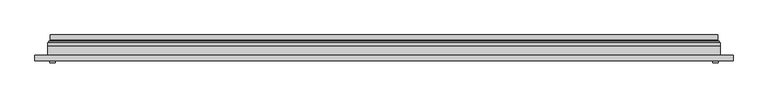
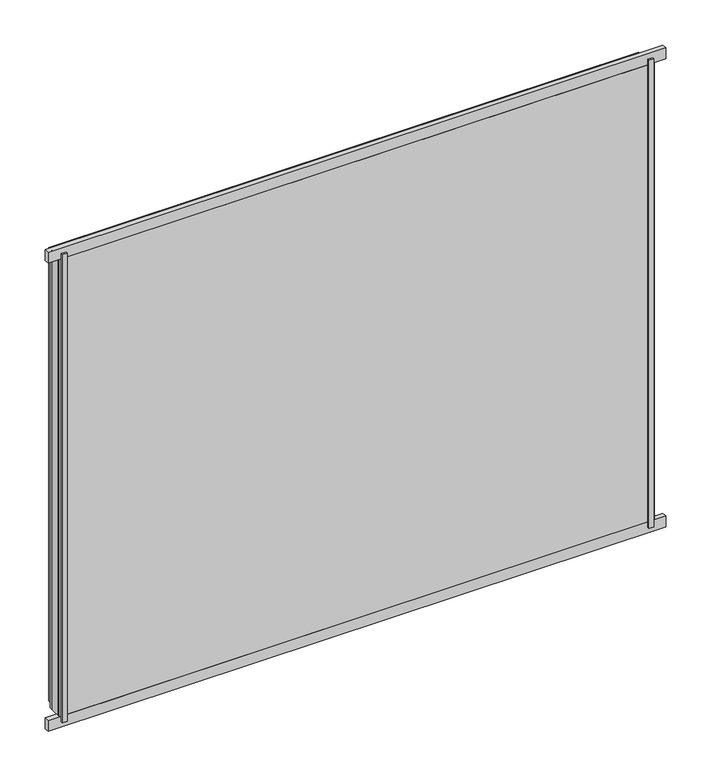
"""IFC4 building model written with IfcOpenShell, lengths in millimetres: plate geometry."""

from ifc_helpers import new_model, si_unit, frame, origin, origin_with_axes, place, context, project, spatial, polyline, ellipse_curve, outline, extrude, source, transform, mapped, element, save
from ifc_brep_helpers import plane_surface, cylinder_surface, revolved_surface, advanced_brep


def plate_edc574da(model_context):
    return source(origin(), model_context, "Body", "SolidModel", [
        extrude(outline(polyline([(587.5, -23.0), (597.5, -23.0), (597.5, -27.0), (587.5, -27.0), (587.5, -23.0)])), origin_with_axes(), (0.0, 0.0, 1.0), 1000.0),
        extrude(outline(polyline([(-587.5, -23.0), (-587.5, -27.0), (-597.5, -27.0), (-597.5, -23.0), (-587.5, -23.0)])), origin_with_axes(), (0.0, 0.0, 1.0), 1000.0),
        extrude(outline(polyline([(624.0, -23.0), (-624.0, -23.0), (-624.0, -13.51), (624.0, -13.51), (624.0, -23.0)])), frame((0.0, 0.0, -11.5), z_axis=(0.0, 0.0, 1.0), x_axis=(1.0, 0.0, 0.0)), (0.0, 0.0, 1.0), 23.0),
        extrude(outline(polyline([(624.0, -23.0), (-624.0, -23.0), (-624.0, -13.51), (624.0, -13.51), (624.0, -23.0)])), frame((0.0, 0.0, 988.5), z_axis=(0.0, 0.0, 1.0), x_axis=(1.0, 0.0, 0.0)), (0.0, 0.0, 1.0), 23.0),
        extrude(outline(polyline([(11.5, -601.0), (11.5, 601.0), (988.5, 601.0), (988.5, -601.0), (11.5, -601.0)]), holes=[polyline([(33.5, 579.0), (33.5, -579.0), (966.5, -579.0), (966.5, 579.0), (33.5, 579.0)])]), frame((0.0, -17.0, 0.0), z_axis=(0.0, 1.0, 0.0), x_axis=(0.0, 0.0, 1.0)), (0.0, 0.0, 1.0), 20.0),
        extrude(outline(polyline([(33.5, -579.0), (33.5, 579.0), (966.5, 579.0), (966.5, -579.0), (33.5, -579.0)]), holes=[polyline([(38.5, 574.0), (38.5, -574.0), (961.5, -574.0), (961.5, 574.0), (38.5, 574.0)])]), frame((0.0, -17.0, 0.0), z_axis=(0.0, 1.0, 0.0), x_axis=(0.0, 0.0, 1.0)), (0.0, 0.0, 1.0), 20.0),
        extrude(outline(polyline([(601.0, 9.0), (601.0, 3.0), (-601.0, 3.0), (-601.0, 9.0), (601.0, 9.0)])), frame((0.0, 0.0, 11.5), z_axis=(0.0, 0.0, 1.0), x_axis=(1.0, 0.0, 0.0)), (0.0, 0.0, 1.0), 977.0),
        extrude(outline(polyline([(-601.0, -23.0), (-601.0, -17.0), (601.0, -17.0), (601.0, -23.0), (-601.0, -23.0)])), frame((0.0, 0.0, 11.5), z_axis=(0.0, 0.0, 1.0), x_axis=(1.0, 0.0, 0.0)), (0.0, 0.0, 1.0), 977.0),
        advanced_brep(
        [(-596.5, 23.0, 16.0), (596.5, 23.0, 16.0), (596.5, 13.9230471, 16.0), (-596.5, 13.9230471, 16.0), (-587.5, 12.9110883, 25.0), (587.5, 12.9110883, 25.0), (587.5, 23.0, 25.0), (-587.5, 23.0, 25.0), (596.5, 23.0, 984.0), (596.5, 13.9230471, 984.0), (587.5, 12.9110883, 975.0), (587.5, 23.0, 975.0), (-596.5, 23.0, 984.0), (-596.5, 13.9230471, 984.0), (-587.5, 12.9110883, 975.0), (-587.5, 23.0, 975.0), (-597.7540757, 9.0, 14.7459243), (597.7540757, 9.0, 14.7459243), (597.7540757, 9.0, 985.2540757), (-597.7540757, 9.0, 985.2540757), (587.2, 9.0, 25.3), (-587.2, 9.0, 25.3), (-587.2, 9.0, 974.7), (587.2, 9.0, 974.7), (-586.5625, 11.2166581, 25.9375), (586.5625, 11.2166581, 25.9375), (-598.0737576, 11.9689955, 14.4262425), (598.0737576, 11.9689955, 14.4262425), (586.5625, 11.2166581, 974.0625), (598.0737576, 11.9689955, 985.5737575), (-586.5625, 11.2166581, 974.0625), (-598.0737576, 11.9689955, 985.5737575)],
        [
            (0, 1),
            (1, 2),
            (2, 3),
            (3, 0),
            (4, 5),
            (5, 6),
            (6, 7),
            (7, 4),
            (1, 8),
            (8, 9),
            (9, 2),
            (5, 10),
            (10, 11),
            (11, 6),
            (8, 12),
            (12, 13),
            (13, 9),
            (10, 14),
            (14, 15),
            (15, 11),
            (16, 17),
            (17, 18),
            (18, 19),
            (19, 16),
            (20, 21),
            (21, 22),
            (22, 23),
            (23, 20),
            (12, 0),
            (3, 13),
            (15, 7),
            (14, 4),
            (24, 25),
            (25, 5, ellipse_curve(frame((585.5, 12.9110883, 27.0), z_axis=(0.7071067811865475, 0.0, 0.7071067811865475), x_axis=(0.7071067811865476, 0.0, -0.7071067811865474)), 2.8284271, 2.0)),
            (4, 24, ellipse_curve(frame((-585.5, 12.9110883, 27.0), z_axis=(-0.7071067811865475, 0.0, 0.7071067811865475), x_axis=(0.7071067811865476, 0.0, 0.7071067811865474)), 2.8284271, 2.0)),
            (20, 25, ellipse_curve(frame((587.2, 10.2, 25.3), z_axis=(-0.7071067811865475, 0.0, -0.7071067811865475), x_axis=(-0.7071067811865476, 0.0, 0.7071067811865474)), 1.6970563, 1.2)),
            (24, 21, ellipse_curve(frame((-587.2, 10.2, 25.3), z_axis=(0.7071067811865475, 0.0, -0.7071067811865475), x_axis=(-0.7071067811865476, 0.0, -0.7071067811865474)), 1.6970563, 1.2)),
            (26, 27),
            (27, 17, ellipse_curve(frame((597.7540757, 10.5034569, 14.7459243), z_axis=(-0.7071067811865475, 0.0, -0.7071067811865475), x_axis=(-0.7071067811865476, 0.0, 0.7071067811865474)), 2.1213203, 1.5)),
            (16, 26, ellipse_curve(frame((-597.7540757, 10.5034569, 14.7459243), z_axis=(0.7071067811865475, 0.0, -0.7071067811865475), x_axis=(-0.7071067811865476, 0.0, -0.7071067811865474)), 2.1213203, 1.5)),
            (25, 28),
            (28, 10, ellipse_curve(frame((585.5, 12.9110883, 973.0), z_axis=(-0.7071067811865475, 0.0, 0.7071067811865475), x_axis=(0.7071067811865474, 0.0, 0.7071067811865476)), 2.8284271, 2.0)),
            (23, 28, ellipse_curve(frame((587.2, 10.2, 974.7), z_axis=(0.7071067811865475, 0.0, -0.7071067811865475), x_axis=(-0.7071067811865474, 0.0, -0.7071067811865476)), 1.6970563, 1.2)),
            (27, 29),
            (29, 18, ellipse_curve(frame((597.7540757, 10.5034569, 985.2540757), z_axis=(0.7071067811865475, 0.0, -0.7071067811865475), x_axis=(-0.7071067811865474, 0.0, -0.7071067811865476)), 2.1213203, 1.5)),
            (28, 30),
            (30, 14, ellipse_curve(frame((-585.5, 12.9110883, 973.0), z_axis=(-0.7071067811865475, 0.0, -0.7071067811865475), x_axis=(-0.7071067811865476, 0.0, 0.7071067811865474)), 2.8284271, 2.0)),
            (22, 30, ellipse_curve(frame((-587.2, 10.2, 974.7), z_axis=(0.7071067811865475, 0.0, 0.7071067811865475), x_axis=(0.7071067811865476, 0.0, -0.7071067811865474)), 1.6970563, 1.2)),
            (29, 31),
            (31, 19, ellipse_curve(frame((-597.7540757, 10.5034569, 985.2540757), z_axis=(0.7071067811865475, 0.0, 0.7071067811865475), x_axis=(0.7071067811865476, 0.0, -0.7071067811865474)), 2.1213203, 1.5)),
            (30, 24),
            (31, 26),
            (2, 27, ellipse_curve(frame((598.5, 13.9230471, 14.0), z_axis=(0.7071067811865475, 0.0, 0.7071067811865475), x_axis=(0.7071067811865476, 0.0, -0.7071067811865474)), 2.8284271, 2.0)),
            (26, 3, ellipse_curve(frame((-598.5, 13.9230471, 14.0), z_axis=(-0.7071067811865475, 0.0, 0.7071067811865475), x_axis=(0.7071067811865476, 0.0, 0.7071067811865474)), 2.8284271, 2.0)),
            (9, 29, ellipse_curve(frame((598.5, 13.9230471, 986.0), z_axis=(-0.7071067811865475, 0.0, 0.7071067811865475), x_axis=(0.7071067811865474, 0.0, 0.7071067811865476)), 2.8284271, 2.0)),
            (13, 31, ellipse_curve(frame((-598.5, 13.9230471, 986.0), z_axis=(-0.7071067811865475, 0.0, -0.7071067811865475), x_axis=(-0.7071067811865476, 0.0, 0.7071067811865474)), 2.8284271, 2.0)),
        ],
        [
            plane_surface(frame((-596.5, 13.9230471, 16.0), z_axis=(0.0, 0.0, -1.0), x_axis=(1.0, 0.0, 0.0))),
            plane_surface(frame((-587.5, 23.0, 25.0), z_axis=(0.0, 0.0, 1.0), x_axis=(1.0, 0.0, 0.0))),
            plane_surface(frame((596.5, 13.9230471, 16.0), z_axis=(1.0, 0.0, 0.0), x_axis=(0.0, 0.0, 1.0))),
            plane_surface(frame((587.5, 23.0, 25.0), z_axis=(-1.0, 0.0, 0.0), x_axis=(0.0, 0.0, 1.0))),
            plane_surface(frame((596.5, 13.9230471, 984.0), z_axis=(0.0, 0.0, 1.0), x_axis=(-1.0, 0.0, 0.0))),
            plane_surface(frame((587.5, 23.0, 975.0), z_axis=(0.0, 0.0, -1.0), x_axis=(-1.0, 0.0, 0.0))),
            plane_surface(frame((-587.2, 9.0, 974.7), z_axis=(0.0, -1.0, 0.0), x_axis=(0.0, 0.0, -1.0))),
            plane_surface(frame((-596.5, 13.9230471, 984.0), z_axis=(-1.0, 0.0, 0.0), x_axis=(0.0, 0.0, -1.0))),
            plane_surface(frame((-596.5, 23.0, 984.0), z_axis=(0.0, 1.0, 0.0), x_axis=(0.0, 0.0, -1.0))),
            plane_surface(frame((-587.5, 23.0, 975.0), z_axis=(1.0, 0.0, 0.0), x_axis=(0.0, 0.0, -1.0))),
            revolved_surface(polyline([(587.5, 10.9110883, 27.0), (-587.5, 10.9110883, 27.0)]), (-601.0, 12.9110883, 27.0), (1.0, 0.0, 0.0)),
            cylinder_surface(frame((-601.0, 10.2, 25.3), z_axis=(-1.0, 0.0, 0.0), x_axis=(0.0, -1.0, 0.0)), 1.2),
            cylinder_surface(frame((-601.0, 10.5034569, 14.7459243), z_axis=(-1.0, 0.0, 0.0), x_axis=(0.0, -1.0, 0.0)), 1.5),
            revolved_surface(polyline([(585.5, 10.9110883, 975.0), (585.5, 10.9110883, 25.0)]), (585.5, 12.9110883, 11.5), (0.0, 0.0, 1.0)),
            cylinder_surface(frame((587.2, 10.2, 11.5), z_axis=(0.0, 0.0, -1.0), x_axis=(0.0, -1.0, 0.0)), 1.2),
            cylinder_surface(frame((597.7540757, 10.5034569, 11.5), z_axis=(0.0, 0.0, -1.0), x_axis=(0.0, -1.0, 0.0)), 1.5),
            revolved_surface(polyline([(-587.5, 10.9110883, 973.0), (587.5, 10.9110883, 973.0)]), (601.0, 12.9110883, 973.0), (-1.0, 0.0, 0.0)),
            cylinder_surface(frame((601.0, 10.2, 974.7), z_axis=(1.0, 0.0, 0.0), x_axis=(0.0, -1.0, 0.0)), 1.2),
            cylinder_surface(frame((601.0, 10.5034569, 985.2540757), z_axis=(1.0, 0.0, 0.0), x_axis=(0.0, -1.0, 0.0)), 1.5),
            revolved_surface(polyline([(-585.5, 10.9110883, 25.0), (-585.5, 10.9110883, 975.0)]), (-585.5, 12.9110883, 988.5), (0.0, 0.0, -1.0)),
            cylinder_surface(frame((-587.2, 10.2, 988.5), z_axis=(0.0, 0.0, 1.0), x_axis=(0.0, -1.0, 0.0)), 1.2),
            cylinder_surface(frame((-597.7540757, 10.5034569, 988.5), z_axis=(0.0, 0.0, 1.0), x_axis=(0.0, -1.0, 0.0)), 1.5),
            revolved_surface(polyline([(600.4999999825018, 11.9230471, 14.0), (-600.4999999825018, 11.9230471, 14.0)]), (-601.0, 13.9230471, 14.0), (1.0, 0.0, 0.0)),
            revolved_surface(polyline([(598.5, 11.9230471, 987.9999999825018), (598.5, 11.9230471, 12.000000017498198)]), (598.5, 13.9230471, 11.5), (0.0, 0.0, 1.0)),
            revolved_surface(polyline([(-600.4999999825018, 11.9230471, 986.0), (600.4999999825018, 11.9230471, 986.0)]), (601.0, 13.9230471, 986.0), (-1.0, 0.0, 0.0)),
            revolved_surface(polyline([(-598.5, 11.9230471, 12.000000017498223), (-598.5, 11.9230471, 987.9999999825018)]), (-598.5, 13.9230471, 988.5), (0.0, 0.0, -1.0)),
        ],
        [
            (0, [[1, 2, 3, 4]]),
            (1, [[5, 6, 7, 8]]),
            (2, [[9, 10, 11, -2]]),
            (3, [[12, 13, 14, -6]]),
            (4, [[15, 16, 17, -10]]),
            (5, [[18, 19, 20, -13]]),
            (6, [[21, 22, 23, 24], [25, 26, 27, 28]]),
            (7, [[29, -4, 30, -16]]),
            (8, [[-1, -29, -15, -9], [-7, -14, -20, 31]]),
            (9, [[32, -8, -31, -19]]),
            (10, [[33, 34, -5, 35]]),
            (11, [[-25, 36, -33, 37]]),
            (12, [[38, 39, -21, 40]]),
            (13, [[41, 42, -12, -34]]),
            (14, [[-28, 43, -41, -36]]),
            (15, [[44, 45, -22, -39]]),
            (16, [[46, 47, -18, -42]]),
            (17, [[-27, 48, -46, -43]]),
            (18, [[49, 50, -23, -45]]),
            (19, [[51, -35, -32, -47]]),
            (20, [[-26, -37, -51, -48]]),
            (21, [[52, -40, -24, -50]]),
            (22, [[-3, 53, -38, 54]]),
            (23, [[-11, 55, -44, -53]]),
            (24, [[-17, 56, -49, -55]]),
            (25, [[-30, -54, -52, -56]]),
        ],
    ),
    ])


if __name__ == "__main__":
    model = new_model("IFC4")
    model_context = context("Model", 3, world=origin())
    ifc_project = project(units=[si_unit("LENGTHUNIT", "METRE", prefix="MILLI")], contexts=[model_context])
    site = spatial("IfcSite", under=ifc_project)
    building = spatial("IfcBuilding", under=site)
    placement = place(None, origin())
    plate_shape = plate_edc574da(model_context)
    element("IfcPlate", 1, at=placement, inside=building, context=model_context, shape_type="MappedRepresentation", body=[
        mapped(plate_shape, transform((0.0, 0.0, 0.0), x_axis=(1.0, 0.0, 0.0), y_axis=(0.0, 1.0, 0.0), z_axis=(0.0, 0.0, 1.0))),
    ])
    save(model, "model.ifc")
